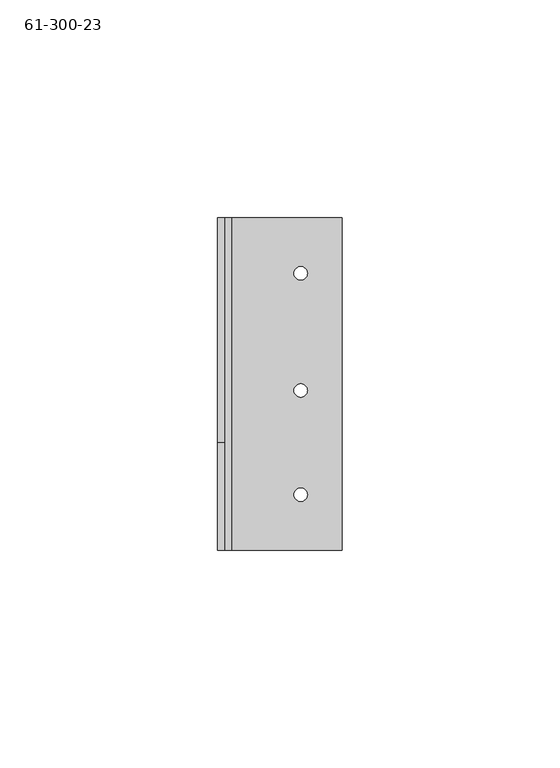
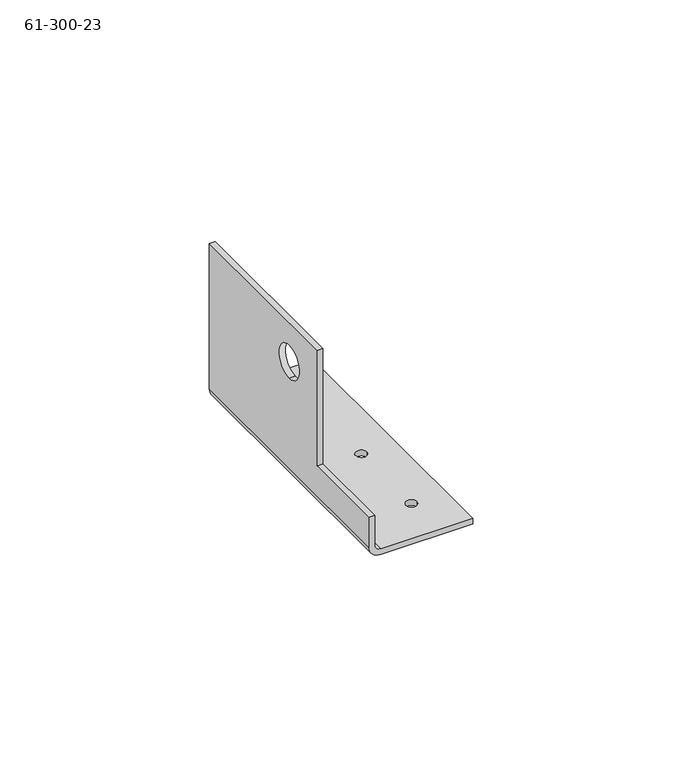
"""IFC4 building model written with IfcOpenShell, lengths in millimetres: proxy geometry, 61-300-23."""

from ifc_helpers import new_model, si_unit, frame, origin, place, context, project, spatial, polyline, circle_curve, source, transform, mapped, element, save
from ifc_brep_helpers import plane_surface, cylinder_surface, revolved_surface, advanced_brep


def proxy_61_300_23_db36588f(model_context):
    return source(origin(), model_context, "Body", "AdvancedBrep", [
        advanced_brep(
        [(90.932, 147.32, 1.6129), (90.932, 147.32, 0.0), (93.98, 147.32, 0.0), (93.98, 147.32, 1.6129), (90.932, 96.52, 1.6129), (90.932, 96.52, 0.0), (93.98, 96.52, 0.0), (93.98, 96.52, 1.6129), (90.932, 120.4383151, 1.6129), (90.932, 120.4383151, 0.0), (93.98, 120.4383151, 0.0), (93.98, 120.4383151, 1.6129), (73.406, 121.8184, 29.5148), (75.0189, 121.8184, 29.5148), (75.0189, 121.8184, 39.0398), (73.406, 121.8184, 39.0398), (75.0189, 108.585, 45.6057), (73.406, 108.585, 45.6057), (73.406, 108.585, 11.9507), (75.0189, 108.585, 11.9507), (75.0189, 160.02, 45.6057), (73.406, 160.02, 45.6057), (73.406, 160.02, 3.2258), (75.0189, 160.02, 3.2258), (76.6318, 160.02, 1.6129), (101.981, 160.02, 1.6129), (101.981, 160.02, 0.0), (76.6318, 160.02, 0.0), (73.406, 83.82, 3.2258), (73.406, 83.82, 11.9507), (75.0189, 83.82, 3.2258), (75.0189, 83.82, 11.9507), (76.6318, 83.82, 0.0), (101.981, 83.82, 0.0), (101.981, 83.82, 1.6129), (76.6318, 83.82, 1.6129)],
        [
            (0, 1),
            (1, 2, circle_curve(frame((92.456, 147.32, 0.0), z_axis=(0.0, 0.0, -1.0), x_axis=(-1.0, 0.0, 0.0)), 1.524)),
            (2, 3),
            (3, 0, circle_curve(frame((92.456, 147.32, 1.6129), z_axis=(0.0, 0.0, 1.0), x_axis=(-1.0, 0.0, 0.0)), 1.524)),
            (4, 5),
            (5, 6, circle_curve(frame((92.456, 96.52, 0.0), z_axis=(0.0, 0.0, -1.0), x_axis=(-1.0, 0.0, 0.0)), 1.524)),
            (6, 7),
            (7, 4, circle_curve(frame((92.456, 96.52, 1.6129), z_axis=(0.0, 0.0, 1.0), x_axis=(-1.0, 0.0, 0.0)), 1.524)),
            (8, 9),
            (9, 10, circle_curve(frame((92.456, 120.4383151, 0.0), z_axis=(0.0, 0.0, -1.0), x_axis=(-1.0, 0.0, 0.0)), 1.524)),
            (10, 11),
            (11, 8, circle_curve(frame((92.456, 120.4383151, 1.6129), z_axis=(0.0, 0.0, 1.0), x_axis=(-1.0, 0.0, 0.0)), 1.524)),
            (12, 13),
            (13, 14, circle_curve(frame((75.0189, 121.8184, 34.2773), z_axis=(1.0, 0.0, 0.0), x_axis=(0.0, 0.0, -1.0)), 4.7625)),
            (14, 15),
            (15, 12, circle_curve(frame((73.406, 121.8184, 34.2773), z_axis=(-1.0, 0.0, 0.0), x_axis=(0.0, 0.0, -1.0)), 4.7625)),
            (12, 15, circle_curve(frame((73.406, 121.8184, 34.2773), z_axis=(-1.0, 0.0, 0.0), x_axis=(0.0, 0.0, -1.0)), 4.7625)),
            (14, 13, circle_curve(frame((75.0189, 121.8184, 34.2773), z_axis=(1.0, 0.0, 0.0), x_axis=(0.0, 0.0, -1.0)), 4.7625)),
            (16, 17),
            (17, 18),
            (18, 19),
            (19, 16),
            (16, 20),
            (20, 21),
            (21, 17),
            (22, 21),
            (20, 23),
            (23, 24, circle_curve(frame((76.6318, 160.02, 3.2258), z_axis=(0.0, -1.0, 0.0), x_axis=(0.0, 0.0, -1.0)), 1.6129)),
            (24, 25),
            (25, 26),
            (26, 27),
            (27, 22, circle_curve(frame((76.6318, 160.02, 3.2258), z_axis=(0.0, 1.0, 0.0), x_axis=(0.0, 0.0, -1.0)), 3.2258)),
            (22, 28),
            (28, 29),
            (29, 18),
            (30, 31),
            (31, 29),
            (28, 32, circle_curve(frame((76.6318, 83.82, 3.2258), z_axis=(0.0, -1.0, 0.0), x_axis=(0.0, 0.0, -1.0)), 3.2258)),
            (32, 33),
            (33, 34),
            (34, 35),
            (35, 30, circle_curve(frame((76.6318, 83.82, 3.2258), z_axis=(0.0, 1.0, 0.0), x_axis=(0.0, 0.0, -1.0)), 1.6129)),
            (31, 19),
            (30, 23),
            (35, 24),
            (27, 32),
            (34, 25),
            (3, 0, circle_curve(frame((92.456, 147.32, 1.6129), z_axis=(0.0, 0.0, -1.0), x_axis=(-1.0, 0.0, 0.0)), 1.524)),
            (7, 4, circle_curve(frame((92.456, 96.52, 1.6129), z_axis=(0.0, 0.0, -1.0), x_axis=(-1.0, 0.0, 0.0)), 1.524)),
            (11, 8, circle_curve(frame((92.456, 120.4383151, 1.6129), z_axis=(0.0, 0.0, -1.0), x_axis=(-1.0, 0.0, 0.0)), 1.524)),
            (10, 9, circle_curve(frame((92.456, 120.4383151, 0.0), z_axis=(0.0, 0.0, -1.0), x_axis=(-1.0, 0.0, 0.0)), 1.524)),
            (6, 5, circle_curve(frame((92.456, 96.52, 0.0), z_axis=(0.0, 0.0, -1.0), x_axis=(-1.0, 0.0, 0.0)), 1.524)),
            (2, 1, circle_curve(frame((92.456, 147.32, 0.0), z_axis=(0.0, 0.0, -1.0), x_axis=(-1.0, 0.0, 0.0)), 1.524)),
            (33, 26),
        ],
        [
            revolved_surface(polyline([(90.932, 147.32, 1.6129), (90.932, 147.32, 0.0)]), (92.456, 147.32, 0.0), (0.0, 0.0, 1.0)),
            revolved_surface(polyline([(90.932, 96.52, 1.6129), (90.932, 96.52, 0.0)]), (92.456, 96.52, 0.0), (0.0, 0.0, 1.0)),
            revolved_surface(polyline([(90.932, 120.4383151, 1.6129), (90.932, 120.4383151, 0.0)]), (92.456, 120.4383151, 0.0), (0.0, 0.0, 1.0)),
            revolved_surface(polyline([(75.0189, 121.8184, 29.514799999999997), (73.406, 121.8184, 29.514799999999997)]), (-18.2701695, 121.8184, 34.2773), (1.0, 0.0, 0.0)),
            plane_surface(frame((75.0189, 108.585, 11.9507), z_axis=(0.0, -1.0, 0.0), x_axis=(0.0, 0.0, -1.0))),
            plane_surface(frame((74.21245, 134.3025, 45.6057), z_axis=(0.0, 0.0, 1.0), x_axis=(1.0, 0.0, 0.0))),
            plane_surface(frame((73.406, 160.02, 11.9507), z_axis=(0.0, 1.0, 0.0), x_axis=(0.0, 0.0, 1.0))),
            plane_surface(frame((73.406, 121.92, 6.7818), z_axis=(-1.0, 0.0, 0.0), x_axis=(0.0, 0.0, -1.0))),
            plane_surface(frame((73.406, 83.82, 1.6129), z_axis=(0.0, -1.0, 0.0), x_axis=(0.0, 0.0, -1.0))),
            plane_surface(frame((73.406, 83.82, 11.9507), z_axis=(0.0, 0.0, 1.0), x_axis=(1.0, 0.0, 0.0))),
            plane_surface(frame((75.0189, 121.92, 6.7818), z_axis=(1.0, 0.0, 0.0), x_axis=(0.0, 0.0, -1.0))),
            revolved_surface(polyline([(76.6318, 160.02, 1.6129), (76.6318, 83.82, 1.6129)]), (76.6318, 121.92, 3.2258), (0.0, 1.0, 0.0)),
            cylinder_surface(frame((76.6318, 121.92, 3.2258), z_axis=(0.0, 1.0, 0.0), x_axis=(0.0, 0.0, -1.0)), 3.2258),
            plane_surface(frame((87.6935, 121.92, 1.6129), z_axis=(0.0, 0.0, 1.0), x_axis=(1.0, 0.0, 0.0))),
            plane_surface(frame((101.981, 160.02, 0.0), z_axis=(1.0, 0.0, 0.0), x_axis=(0.0, 0.0, -1.0))),
            plane_surface(frame((87.6935, 121.92, 0.0), z_axis=(0.0, 0.0, -1.0), x_axis=(1.0, 0.0, 0.0))),
        ],
        [
            (0, [[1, 2, 3, 4]]),
            (1, [[5, 6, 7, 8]]),
            (2, [[9, 10, 11, 12]]),
            (3, [[13, 14, 15, 16]]),
            (3, [[-13, 17, -15, 18]]),
            (4, [[19, 20, 21, 22]]),
            (5, [[23, 24, 25, -19]]),
            (6, [[26, -24, 27, 28, 29, 30, 31, 32]]),
            (7, [[33, 34, 35, -20, -25, -26], [-17, -16]]),
            (8, [[36, 37, -34, 38, 39, 40, 41, 42]]),
            (9, [[-21, -35, -37, 43]]),
            (10, [[44, -27, -23, -22, -43, -36], [-18, -14]]),
            (11, [[-44, -42, 45, -28]]),
            (12, [[-33, -32, 46, -38]]),
            (13, [[-45, -41, 47, -29], [48, -4], [49, -8], [50, -12]]),
            (2, [[-9, -50, -11, 51]]),
            (1, [[-5, -49, -7, 52]]),
            (0, [[-1, -48, -3, 53]]),
            (14, [[-47, -40, 54, -30]]),
            (15, [[-46, -31, -54, -39], [-2, -53], [-6, -52], [-10, -51]]),
        ],
    ),
    ])


if __name__ == "__main__":
    model = new_model("IFC4")
    model_context = context("Model", 3, world=origin())
    ifc_project = project(units=[si_unit("LENGTHUNIT", "METRE", prefix="MILLI")], contexts=[model_context])
    site = spatial("IfcSite", under=ifc_project)
    building = spatial("IfcBuilding", under=site)
    placement = place(None, origin())
    proxy_61_300_23_shape = proxy_61_300_23_db36588f(model_context)
    element("IfcBuildingElementProxy", 1, Name="61-300-23", ObjectType="61-300-23", at=placement, inside=building, context=model_context, shape_type="MappedRepresentation", body=[
        mapped(proxy_61_300_23_shape, transform((0.0, 0.0, 0.0), x_axis=(1.0, 0.0, 0.0), y_axis=(0.0, 1.0, 0.0), z_axis=(0.0, 0.0, 1.0))),
    ])
    save(model, "model.ifc")
